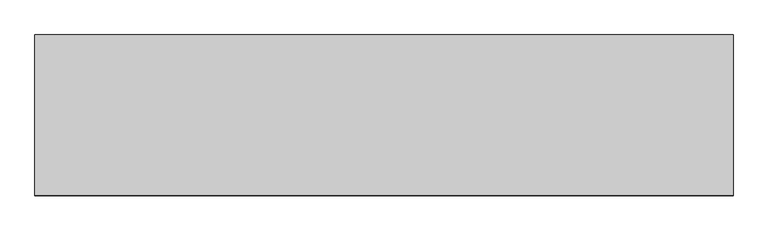
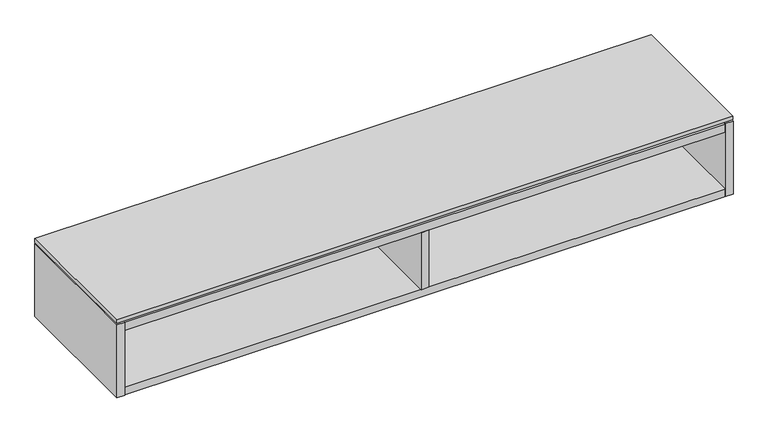
"""IFC4 building model written with IfcOpenShell, lengths in millimetres: furniture geometry."""

from ifc_helpers import new_model, si_unit, frame, origin, place, context, project, spatial, polyline, outline, extrude, faceted_brep, source, transform, mapped, element, save


def furniture_c5d561c2(model_context):
    return source(origin(), model_context, "Body", "SolidModel", [
        extrude(outline(polyline([(1063.8234375, -191.0115724), (-457.2, -191.0115724), (-457.2, 158.8226276), (1063.8234375, 158.8226276), (1063.8234375, -191.0115724)])), frame((0.0, 0.0, 841.502), z_axis=(0.0, 0.0, 1.0), x_axis=(1.0, 0.0, 0.0)), (0.0, 0.0, 1.0), 9.779),
        extrude(outline(polyline([(-437.896, 145.5282676), (-437.896, 158.8226276), (1044.5194375, 158.8226276), (1044.5194375, 145.5282676), (-437.896, 145.5282676)])), frame((0.0, 0.0, 740.31475), z_axis=(0.0, 0.0, 1.0), x_axis=(1.0, 0.0, 0.0)), (0.0, 0.0, 1.0), 76.2),
        extrude(outline(polyline([(312.9637187, -191.7735724), (293.6597187, -191.7735724), (293.6597187, 126.2242676), (312.9637187, 126.2242676), (312.9637187, -191.7735724)])), frame((0.0, 0.0, 667.766), z_axis=(0.0, 0.0, 1.0), x_axis=(1.0, 0.0, 0.0)), (0.0, 0.0, 1.0), 148.74875),
        faceted_brep([(1044.5194375, -191.0115724, 667.766), (-437.896, -191.0115724, 667.766), (-437.896, -191.0115724, 648.462), (1044.5194375, -191.0115724, 648.462), (-437.896, 145.5282676, 816.51475), (1044.5194375, 145.5282676, 816.51475), (1044.5194375, 145.5282676, 647.7), (-437.896, 145.5282676, 647.7), (1044.5194375, 126.2242676, 667.766), (-437.896, 126.2242676, 667.766), (-437.896, 126.2242676, 648.462), (1044.5194375, 126.2242676, 648.462), (-437.896, 158.8226276, 838.2), (-457.2, 158.8226276, 838.2), (-457.2, -191.7735724, 838.2), (-437.896, -191.7735724, 838.2), (1044.5194375, -191.7735724, 838.2), (1063.8234375, -191.7735724, 838.2), (1063.8234375, 158.8226276, 838.2), (1044.5194375, 158.8226276, 838.2), (-437.896, -191.7735724, 647.7), (-457.2, -191.7735724, 647.7), (-457.2, 158.8226276, 647.7), (-437.896, 158.8226276, 647.7), (1044.5194375, 158.8226276, 647.7), (1063.8234375, 158.8226276, 647.7), (1063.8234375, -191.7735724, 647.7), (1044.5194375, -191.7735724, 647.7), (1044.5194375, 126.2242676, 647.7), (-437.896, 126.2242676, 647.7), (-437.896, 158.8226276, 837.438), (1044.5194375, 158.8226276, 837.438), (1044.5194375, 158.8226276, 816.51475), (-437.896, 158.8226276, 816.51475), (-437.896, 126.2242676, 816.51475), (-437.896, -191.0115724, 816.51475), (-437.896, -191.0115724, 837.438), (1044.5194375, -191.0115724, 837.438), (1044.5194375, -191.0115724, 816.51475), (1044.5194375, 126.2242676, 816.51475)], [[[0, 1, 2, 3]], [[4, 5, 6, 7]], [[1, 0, 8, 9]], [[3, 2, 10, 11]], [[12, 13, 14, 15]], [[16, 17, 18, 19]], [[20, 21, 22, 23, 7, 6, 24, 25, 26, 27, 28, 29]], [[13, 12, 30, 31, 19, 18, 25, 24, 32, 33, 23, 22]], [[14, 13, 22, 21]], [[15, 14, 21, 20]], [[4, 7, 23, 33]], [[12, 15, 20, 29, 10, 2, 1, 9, 34, 35, 36, 30]], [[6, 5, 32, 24]], [[16, 19, 31, 37, 38, 39, 8, 0, 3, 11, 28, 27]], [[17, 16, 27, 26]], [[18, 17, 26, 25]], [[37, 36, 35, 38]], [[36, 37, 31, 30]], [[33, 32, 5, 4]], [[38, 35, 34, 39]], [[9, 8, 39, 34]], [[29, 28, 11, 10]]]),
    ])


if __name__ == "__main__":
    model = new_model("IFC4")
    model_context = context("Model", 3, world=origin())
    ifc_project = project(units=[si_unit("LENGTHUNIT", "METRE", prefix="MILLI")], contexts=[model_context])
    site = spatial("IfcSite", under=ifc_project)
    building = spatial("IfcBuilding", under=site)
    placement = place(None, origin())
    furniture_shape = furniture_c5d561c2(model_context)
    element("IfcFurniture", 1, at=placement, inside=building, context=model_context, shape_type="MappedRepresentation", body=[
        mapped(furniture_shape, transform((0.0, 0.0, 0.0), x_axis=(1.0, 0.0, 0.0), y_axis=(0.0, 1.0, 0.0), z_axis=(0.0, 0.0, 1.0))),
    ])
    save(model, "model.ifc")
